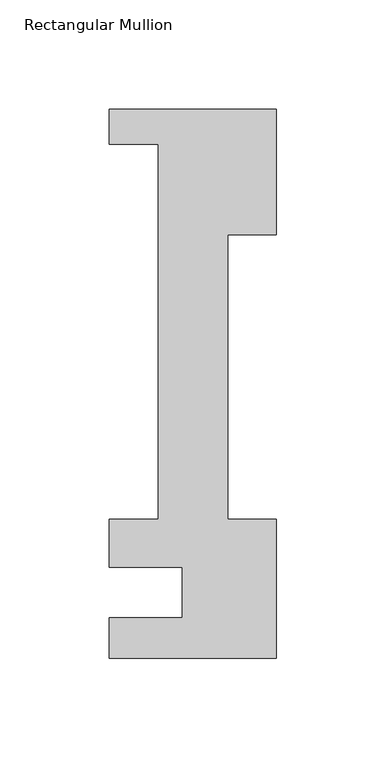
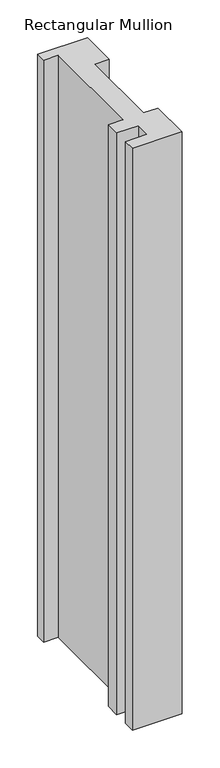
"""IFC4 building model written with IfcOpenShell, lengths in millimetres: member geometry, Rectangular Mullion."""

from ifc_helpers import new_model, si_unit, frame, origin, place, context, project, spatial, polyline, outline, extrude, source, transform, mapped, element, save


def rectangular_mullion_76ec33f2(model_context):
    return source(origin(), model_context, "Body", "SweptSolid", [
        extrude(outline(polyline([(-76.2, 221.996), (0.0, 221.996), (0.0, 164.8220701), (-22.225, 164.8220701), (-22.225, 34.671), (0.0, 34.671), (0.0, -28.8080986), (-76.2, -28.8080986), (-76.2, -10.3191857), (-42.8625, -10.3191857), (-42.8625, 12.7), (-76.2, 12.7), (-76.2, 34.671), (-53.975, 34.671), (-53.975, 206.121), (-76.2, 206.121), (-76.2, 221.996)])), frame((0.0, 0.0, -939.8), z_axis=(0.0, 0.0, 1.0), x_axis=(1.0, 0.0, 0.0)), (0.0, 0.0, 1.0), 939.8),
    ])


if __name__ == "__main__":
    model = new_model("IFC4")
    model_context = context("Model", 3, world=origin())
    ifc_project = project(units=[si_unit("LENGTHUNIT", "METRE", prefix="MILLI")], contexts=[model_context])
    site = spatial("IfcSite", under=ifc_project)
    building = spatial("IfcBuilding", under=site)
    placement = place(None, origin())
    rectangular_mullion_shape = rectangular_mullion_76ec33f2(model_context)
    element("IfcMember", 1, ObjectType="Rectangular Mullion", at=placement, inside=building, context=model_context, shape_type="MappedRepresentation", body=[
        mapped(rectangular_mullion_shape, transform((0.0, 0.0, 0.0), x_axis=(1.0, 0.0, 0.0), y_axis=(0.0, 1.0, 0.0), z_axis=(0.0, 0.0, 1.0))),
    ])
    save(model, "model.ifc")
